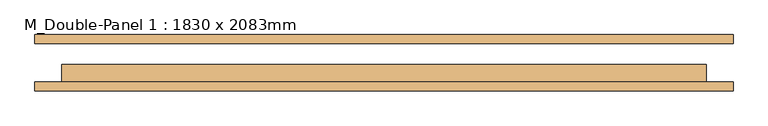
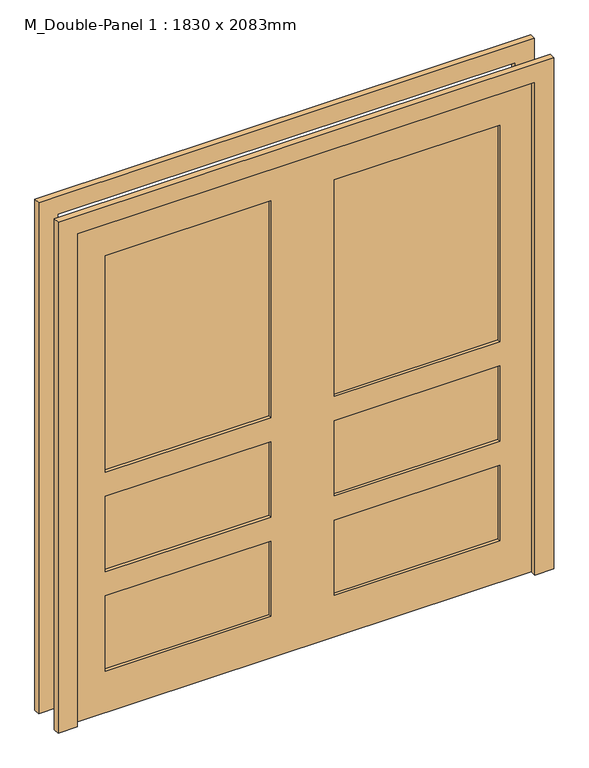
"""IFC4 building model written with IfcOpenShell, lengths in millimetres: door geometry, M_Double-Panel 1 : 1830 x 2083mm."""

from ifc_helpers import new_model, si_unit, frame, origin, place, context, project, spatial, polyline, outline, extrude, source, transform, mapped, element, save


def m_double_panel_1_1830_x_2083mm_ccc56a10(model_context):
    return source(origin(), model_context, "Body", "SweptSolid", [
        extrude(outline(polyline([(2159.0, -991.0), (0.0, -991.0), (0.0, -915.0), (2083.0, -915.0), (2083.0, 915.0), (0.0, 915.0), (0.0, 991.0), (2159.0, 991.0), (2159.0, -991.0)])), frame((0.0, -80.0, 0.0), z_axis=(0.0, 1.0, 0.0), x_axis=(0.0, 0.0, 1.0)), (0.0, 0.0, 1.0), 25.0),
        extrude(outline(polyline([(127.0, -42.3), (127.0, -16.7), (788.0, -16.7), (788.0, -42.3), (127.0, -42.3)])), frame((0.0, 0.0, 1015.6), z_axis=(0.0, 0.0, 1.0), x_axis=(1.0, 0.0, 0.0)), (0.0, 0.0, 1.0), 915.0),
        extrude(outline(polyline([(127.0, -42.3), (127.0, -16.7), (788.0, -16.7), (788.0, -42.3), (127.0, -42.3)])), frame((0.0, 0.0, 595.3), z_axis=(0.0, 0.0, 1.0), x_axis=(1.0, 0.0, 0.0)), (0.0, 0.0, 1.0), 318.3),
        extrude(outline(polyline([(127.0, -42.3), (127.0, -16.7), (788.0, -16.7), (788.0, -42.3), (127.0, -42.3)])), frame((0.0, 0.0, 175.0), z_axis=(0.0, 0.0, 1.0), x_axis=(1.0, 0.0, 0.0)), (0.0, 0.0, 1.0), 318.3),
        extrude(outline(polyline([(-788.0, -42.3), (-788.0, -16.7), (-127.0, -16.7), (-127.0, -42.3), (-788.0, -42.3)])), frame((0.0, 0.0, 1015.6), z_axis=(0.0, 0.0, 1.0), x_axis=(1.0, 0.0, 0.0)), (0.0, 0.0, 1.0), 915.0),
        extrude(outline(polyline([(-788.0, -42.3), (-788.0, -16.7), (-127.0, -16.7), (-127.0, -42.3), (-788.0, -42.3)])), frame((0.0, 0.0, 595.3), z_axis=(0.0, 0.0, 1.0), x_axis=(1.0, 0.0, 0.0)), (0.0, 0.0, 1.0), 318.3),
        extrude(outline(polyline([(-788.0, -42.3), (-788.0, -16.7), (-127.0, -16.7), (-127.0, -42.3), (-788.0, -42.3)])), frame((0.0, 0.0, 175.0), z_axis=(0.0, 0.0, 1.0), x_axis=(1.0, 0.0, 0.0)), (0.0, 0.0, 1.0), 318.3),
        extrude(outline(polyline([(2083.0, -915.0), (0.0, -915.0), (0.0, 915.0), (2083.0, 915.0), (2083.0, -915.0)]), holes=[polyline([(1930.6, 127.0), (1930.6, 788.0), (1015.6, 788.0), (1015.6, 127.0), (1930.6, 127.0)]), polyline([(595.3, 788.0), (595.3, 127.0), (913.6, 127.0), (913.6, 788.0), (595.3, 788.0)]), polyline([(493.3, 788.0), (175.0, 788.0), (175.0, 127.0), (493.3, 127.0), (493.3, 788.0)]), polyline([(1930.6, -127.0), (1015.6, -127.0), (1015.6, -788.0), (1930.6, -788.0), (1930.6, -127.0)]), polyline([(913.6, -788.0), (913.6, -127.0), (595.3, -127.0), (595.3, -788.0), (913.6, -788.0)]), polyline([(175.0, -127.0), (175.0, -788.0), (493.3, -788.0), (493.3, -127.0), (175.0, -127.0)])]), frame((0.0, -55.0, 0.0), z_axis=(0.0, 1.0, 0.0), x_axis=(0.0, 0.0, 1.0)), (0.0, 0.0, 1.0), 51.0),
        extrude(outline(polyline([(2083.0, -915.0), (2083.0, 915.0), (0.0, 915.0), (0.0, 991.0), (2159.0, 991.0), (2159.0, -991.0), (0.0, -991.0), (0.0, -915.0), (2083.0, -915.0)])), frame((0.0, 55.0, 0.0), z_axis=(0.0, 1.0, 0.0), x_axis=(0.0, 0.0, 1.0)), (0.0, 0.0, 1.0), 25.0),
    ])


if __name__ == "__main__":
    model = new_model("IFC4")
    model_context = context("Model", 3, world=origin())
    ifc_project = project(units=[si_unit("LENGTHUNIT", "METRE", prefix="MILLI")], contexts=[model_context])
    site = spatial("IfcSite", under=ifc_project)
    building = spatial("IfcBuilding", under=site)
    placement = place(None, origin())
    m_double_panel_1_1830_x_2083mm_shape = m_double_panel_1_1830_x_2083mm_ccc56a10(model_context)
    element("IfcDoor", 1, ObjectType="M_Double-Panel 1 : 1830 x 2083mm", at=placement, inside=building, context=model_context, shape_type="MappedRepresentation", body=[
        mapped(m_double_panel_1_1830_x_2083mm_shape, transform((0.0, 0.0, 0.0), x_axis=(1.0, 0.0, 0.0), y_axis=(0.0, 1.0, 0.0), z_axis=(0.0, 0.0, 1.0))),
    ])
    save(model, "model.ifc")
